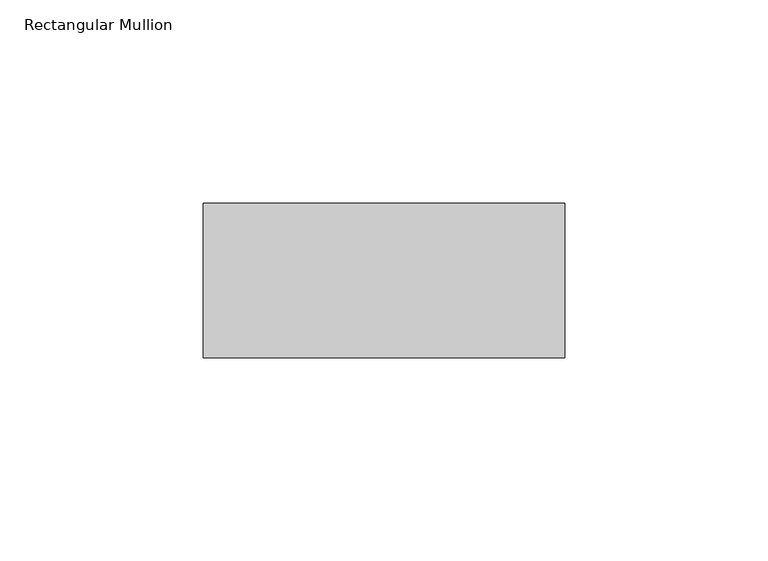
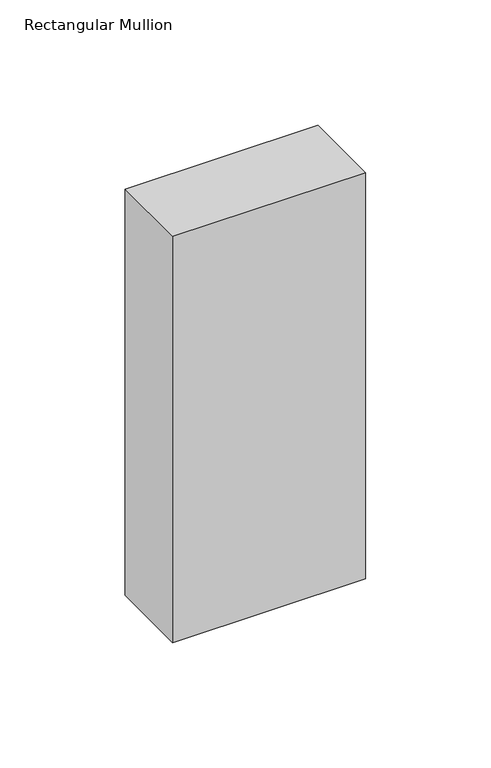
"""IFC4 building model written with IfcOpenShell, lengths in millimetres: member geometry, Rectangular Mullion."""

from ifc_helpers import new_model, si_unit, frame, origin, place, context, project, spatial, polyline, outline, extrude, source, transform, mapped, element, save


def rectangular_mullion_6a4f979c(model_context):
    return source(origin(), model_context, "Body", "SweptSolid", [
        extrude(outline(polyline([(44.5, -80.0), (44.5, -118.0), (-44.5, -118.0), (-44.5, -80.0), (44.5, -80.0)])), frame((0.0, 0.0, -198.0), z_axis=(0.0, 0.0, 1.0), x_axis=(1.0, 0.0, 0.0)), (0.0, 0.0, 1.0), 198.0),
    ])


if __name__ == "__main__":
    model = new_model("IFC4")
    model_context = context("Model", 3, world=origin())
    ifc_project = project(units=[si_unit("LENGTHUNIT", "METRE", prefix="MILLI")], contexts=[model_context])
    site = spatial("IfcSite", under=ifc_project)
    building = spatial("IfcBuilding", under=site)
    placement = place(None, origin())
    rectangular_mullion_shape = rectangular_mullion_6a4f979c(model_context)
    element("IfcMember", 1, ObjectType="Rectangular Mullion", at=placement, inside=building, context=model_context, shape_type="MappedRepresentation", body=[
        mapped(rectangular_mullion_shape, transform((0.0, 0.0, 0.0), x_axis=(1.0, 0.0, 0.0), y_axis=(0.0, 1.0, 0.0), z_axis=(0.0, 0.0, 1.0))),
    ])
    save(model, "model.ifc")
